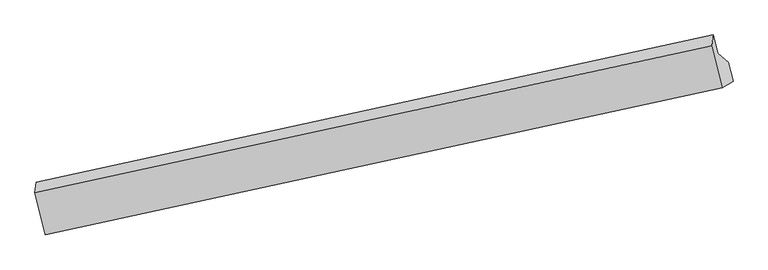
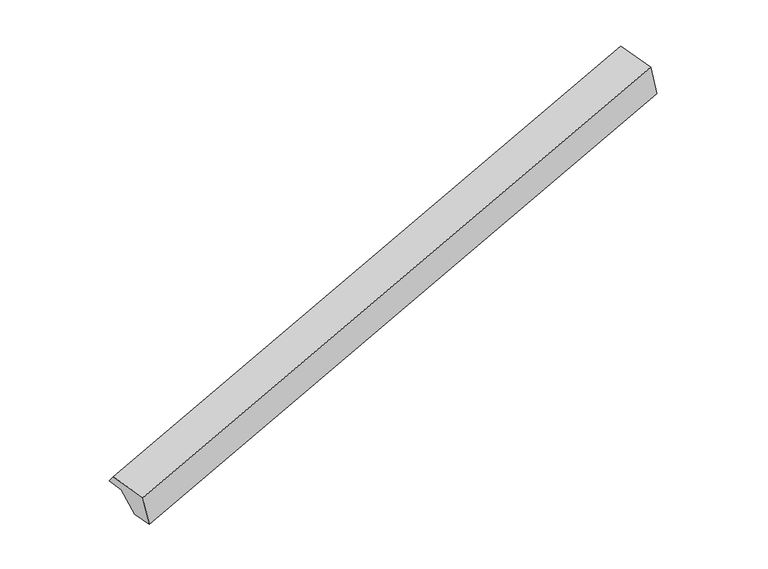
"""IFC4 building model written with IfcOpenShell, lengths in millimetres: proxy geometry."""

from ifc_helpers import new_model, si_unit, frame, origin, place, context, project, spatial, source, transform, mapped, element, save
from ifc_brep_helpers import plane_surface, spline_surface, advanced_brep


def generic_models_fc2952ea(model_context):
    return source(origin(), model_context, "Body", "AdvancedBrep", [
        advanced_brep(
        [(-5824.392513, -2163.0757154, 804.7263275), (-5919.7834714, -2088.1979359, 1062.3555562), (135.4316639, -779.5986404, 2893.0389013), (232.7617174, -862.3449489, 2634.6773352), (-5957.831427, -1933.8055858, 1076.7251145), (95.5232954, -617.6570404, 2908.1110811), (-5970.5115171, -2030.7352782, 1186.8371327), (82.8432053, -714.5867329, 3018.2230993), (-5877.8094588, -2406.904994, 1151.826378), (175.5452636, -1090.7564487, 2983.2123446), (-5778.6813214, -2348.5642175, 787.4625974), (274.673401, -1032.4156722, 2618.848564)],
        [
            (0, 1),
            (1, 2),
            (2, 3),
            (3, 0),
            (1, 4),
            (4, 5),
            (5, 2),
            (4, 6),
            (6, 7),
            (7, 5),
            (6, 8),
            (8, 9),
            (9, 7),
            (8, 10),
            (10, 11),
            (11, 9),
            (10, 0),
            (3, 11),
        ],
        [
            spline_surface(1, 1, [[(-5824.392513, -2163.0757154, 804.7263275), (232.7617174, -862.3449489, 2634.6773352)], [(-5919.7834714, -2088.1979359, 1062.3555562), (135.4316639, -779.5986404, 2893.0389013)]], [2, 2], [2, 2], [0.0, 1.0], [0.0, 1.0]),
            plane_surface(frame((-5938.8074492, -2011.0017608, 1069.5403354), z_axis=(0.255814258642665, 0.15189923436413136, -0.9547175957709666), x_axis=(-0.23830699560225974, 0.967010619368912, 0.09000132151684213))),
            plane_surface(frame((-5964.171472, -1982.270432, 1131.7811236), z_axis=(-0.33899359454370415, 0.7251822153842586, 0.5993280381800249), x_axis=(-0.08611615324389925, -0.6582928197557443, 0.7478198791209715))),
            plane_surface(frame((-5924.1604879, -2218.8201361, 1169.3317553), z_axis=(-0.25581425864266005, -0.15189923436416214, 0.9547175957709629), x_axis=(0.23830699560236482, -0.967010619368886, -0.09000132151684259))),
            plane_surface(frame((-5828.2453901, -2377.7346058, 969.6444877), z_axis=(0.23758252122155193, -0.9671681547378674, -0.09022364474437794), x_axis=(0.2594381904512985, 0.15268949735238188, -0.9536129942139174))),
            plane_surface(frame((-5801.5369172, -2255.8199665, 796.0944624), z_axis=(0.2558142586426682, 0.15189923436412306, -0.954717595770967), x_axis=(-0.2383069956025586, 0.9670106193688476, 0.09000132151674255))),
            plane_surface(frame((166.1297577, -849.5599139, 2842.6852209), z_axis=(0.935896148716423, 0.20390286762614956, 0.28726646061035416), x_axis=(0.2594381904512985, 0.15268949735238188, -0.9536129942139174))),
            plane_surface(frame((-5888.1682848, -2161.8806211, 1011.6555177), z_axis=(-0.935896148716433, -0.20390286762611007, -0.28726646061034933), x_axis=(0.23830699560254437, -0.9670106193688417, -0.09000132151684297))),
        ],
        [
            (0, [[1, 2, 3, 4]]),
            (1, [[5, 6, 7, -2]]),
            (2, [[8, 9, 10, -6]]),
            (3, [[11, 12, 13, -9]]),
            (4, [[14, 15, 16, -12]]),
            (5, [[17, -4, 18, -15]]),
            (6, [[-16, -18, -3, -7, -10, -13]]),
            (7, [[-17, -14, -11, -8, -5, -1]]),
        ],
    ),
    ])


if __name__ == "__main__":
    model = new_model("IFC4")
    model_context = context("Model", 3, world=origin())
    ifc_project = project(units=[si_unit("LENGTHUNIT", "METRE", prefix="MILLI")], contexts=[model_context])
    site = spatial("IfcSite", under=ifc_project)
    building = spatial("IfcBuilding", under=site)
    placement = place(None, origin())
    generic_models_shape = generic_models_fc2952ea(model_context)
    element("IfcBuildingElementProxy", 1, Name="Generic Models", at=placement, inside=building, context=model_context, shape_type="MappedRepresentation", body=[
        mapped(generic_models_shape, transform((0.0, 0.0, 0.0), x_axis=(1.0, 0.0, 0.0), y_axis=(0.0, 1.0, 0.0), z_axis=(0.0, 0.0, 1.0))),
    ])
    save(model, "model.ifc")
